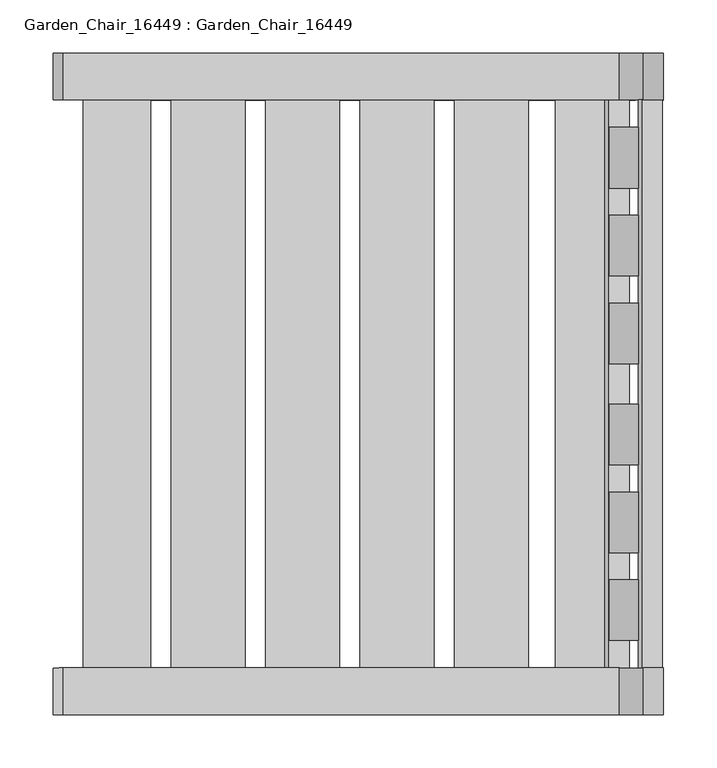
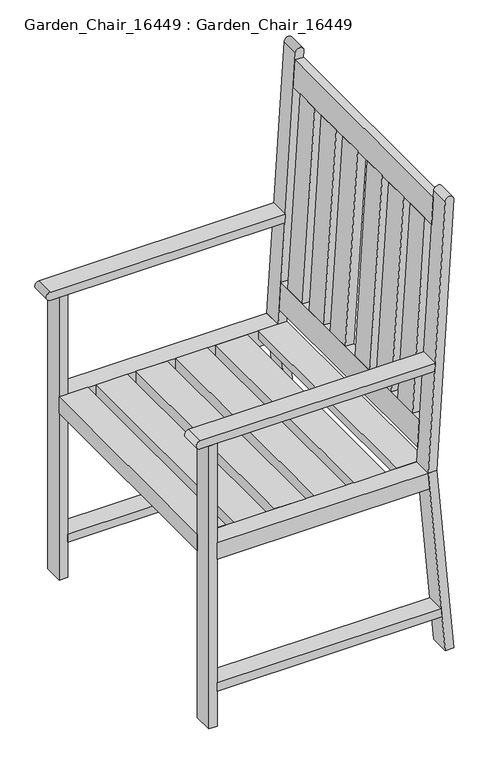
"""IFC4 building model written with IfcOpenShell, lengths in millimetres: furniture geometry, Garden_Chair_16449 : Garden_Chair_16449."""

import ifcopenshell
import ifcopenshell.guid

model = None  # the IFC model being written
_history = None  # IfcOwnerHistory: only IFC2X3 demands one
_inside = {}  # id of a spatial element -> (the spatial element, [elements in it])
_under = {}  # id of a project, library or spatial element -> (it, [spatial elements below it])
_declared = {}  # id of a project -> (the project, [libraries it declares])
_typed = {}  # id of a type object -> (the type object, [elements of that type])
_made_of = {}  # id of a material, layer set ... -> (it, [elements and type objects made of it])


def new_model(schema):
    """Start an empty IFC model of exactly this schema.

    Asked for "IFC4X3", IfcOpenShell would pick the latest addendum, in which some entities
    have other attributes; the version numbers below select the first issue.
    IFC2X3 requires an IfcOwnerHistory on every rooted entity: one is made here for all.
    """
    global model, _history
    if schema == "IFC4X3":
        model = ifcopenshell.file(schema_version=(4, 3, 0, 0))
    else:
        model = ifcopenshell.file(schema=schema)
    _inside.clear()
    _under.clear()
    _declared.clear()
    _typed.clear()
    _made_of.clear()
    _history = None
    if model.schema == "IFC2X3":
        org = make("IfcOrganization", Name="unknown")
        user = make(
            "IfcPersonAndOrganization",
            ThePerson=make("IfcPerson", FamilyName="unknown"),
            TheOrganization=org,
        )
        app = make(
            "IfcApplication",
            ApplicationDeveloper=org,
            Version="unknown",
            ApplicationFullName="unknown",
            ApplicationIdentifier="unknown",
        )
        _history = make(
            "IfcOwnerHistory",
            OwningUser=user,
            OwningApplication=app,
            ChangeAction="ADDED",
            CreationDate=0,
        )
    return model


def make(cls, **values):
    """One entity of the class cls with the attributes given. An attribute that is None is left unset."""
    return model.create_entity(
        cls, **{name: value for name, value in values.items() if value is not None}
    )


def rooted(cls, **values):
    """An entity with a GlobalId (a new one), such as an element, a storey or a relation."""
    return make(cls, GlobalId=ifcopenshell.guid.new(), OwnerHistory=_history, **values)


def si_unit(unit_type, name, prefix=None):
    """IfcSIUnit, for example si_unit("LENGTHUNIT", "METRE", prefix="MILLI")."""
    return make("IfcSIUnit", UnitType=unit_type, Prefix=prefix, Name=name)


def assignment(units):
    """IfcUnitAssignment: the units of a project."""
    return None if units is None else make("IfcUnitAssignment", Units=units)


def point(xyz):
    """IfcCartesianPoint."""
    return None if xyz is None else make("IfcCartesianPoint", Coordinates=xyz)


def direction(xyz):
    """IfcDirection."""
    return None if xyz is None else make("IfcDirection", DirectionRatios=xyz)


def frame(location, z_axis=None, x_axis=None):
    """IfcAxis2Placement3D, a coordinate frame: its origin and axes. An axis left out is left unset."""
    return make(
        "IfcAxis2Placement3D",
        Location=point(location),
        Axis=direction(z_axis),
        RefDirection=direction(x_axis),
    )


def frame_2d(location, x_axis=None):
    """IfcAxis2Placement2D, a coordinate frame in the plane: its origin and x axis."""
    return make(
        "IfcAxis2Placement2D", Location=point(location), RefDirection=direction(x_axis)
    )


def origin():
    """The frame at (0, 0, 0) with its axes left unset."""
    return frame((0.0, 0.0, 0.0))


def origin_with_axes():
    """The frame at (0, 0, 0) with the z axis (0, 0, 1) and the x axis (1, 0, 0) written out."""
    return frame((0.0, 0.0, 0.0), z_axis=(0.0, 0.0, 1.0), x_axis=(1.0, 0.0, 0.0))


def place(relative_to, where):
    """IfcLocalPlacement: puts the frame where relative to a parent placement (None: the world)."""
    return make(
        "IfcLocalPlacement", PlacementRelTo=relative_to, RelativePlacement=where
    )


def context(
    kind, dimensions, precision=None, world=None, true_north=None, identifier=None
):
    """IfcGeometricRepresentationContext, for example the 3D "Model" context."""
    return make(
        "IfcGeometricRepresentationContext",
        ContextIdentifier=identifier,
        ContextType=kind,
        CoordinateSpaceDimension=dimensions,
        Precision=precision,
        WorldCoordinateSystem=world,
        TrueNorth=true_north,
    )


def project(units=None, contexts=None):
    """IfcProject with its units and contexts."""
    return rooted(
        "IfcProject",
        Name="project",
        RepresentationContexts=contexts,
        UnitsInContext=assignment(units),
    )


def spatial(cls, under=None, at=None, **own):
    """A site, building, storey or space (cls), placed at a placement, below another one or the project."""
    s = rooted(cls, ObjectPlacement=at, **own)
    if under is not None:
        _under.setdefault(under.id(), (under, []))[1].append(s)
    return s


def polyline(points):
    """IfcPolyline through the points."""
    return make("IfcPolyline", Points=[point(p) for p in points])


def circle_curve(where, radius):
    """IfcCircle in the frame where."""
    return make("IfcCircle", Position=where, Radius=radius)


def trimmed(basis, trim1, trim2, sense, master):
    """IfcTrimmedCurve: the piece of a basis curve between two trims."""
    return make(
        "IfcTrimmedCurve",
        BasisCurve=basis,
        Trim1=trim1,
        Trim2=trim2,
        SenseAgreement=sense,
        MasterRepresentation=master,
    )


def segment(curve, same_sense, transition):
    """IfcCompositeCurveSegment."""
    return make(
        "IfcCompositeCurveSegment",
        Transition=transition,
        SameSense=same_sense,
        ParentCurve=curve,
    )


def composite_curve(segments, self_intersect=None):
    """IfcCompositeCurve: segments joined end to end."""
    return make("IfcCompositeCurve", Segments=segments, SelfIntersect=self_intersect)


def outline(outer, holes=None, kind="AREA"):
    """IfcArbitraryClosedProfileDef: a profile drawn as a closed curve; with holes, ...WithVoids."""
    if holes is None:
        return make("IfcArbitraryClosedProfileDef", ProfileType=kind, OuterCurve=outer)
    return make(
        "IfcArbitraryProfileDefWithVoids",
        ProfileType=kind,
        OuterCurve=outer,
        InnerCurves=holes,
    )


def extrude(swept, where, along, depth):
    """IfcExtrudedAreaSolid: the profile swept, set in the frame where, extruded along a direction by depth."""
    return make(
        "IfcExtrudedAreaSolid",
        SweptArea=swept,
        Position=where,
        ExtrudedDirection=direction(along),
        Depth=depth,
    )


def shape(context_of_items, identifier, shape_type, items):
    """IfcShapeRepresentation: the items that make up one representation, for example the "Body"."""
    return make(
        "IfcShapeRepresentation",
        ContextOfItems=context_of_items,
        RepresentationIdentifier=identifier,
        RepresentationType=shape_type,
        Items=items,
    )


def source(mapping_origin, context_of_items, identifier, shape_type, items):
    """IfcRepresentationMap: a shape defined once, which mapped items show again and again."""
    return make(
        "IfcRepresentationMap",
        MappingOrigin=mapping_origin,
        MappedRepresentation=shape(context_of_items, identifier, shape_type, items),
    )


def transform(
    local_origin,
    x_axis=None,
    y_axis=None,
    z_axis=None,
    scale=None,
    scale2=None,
    scale3=None,
    uniform=True,
):
    """IfcCartesianTransformationOperator3D, or its non-uniform kind. x_axis, y_axis, z_axis: its Axis1, 2, 3."""
    if uniform:
        return make(
            "IfcCartesianTransformationOperator3D",
            Axis1=direction(x_axis),
            Axis2=direction(y_axis),
            LocalOrigin=point(local_origin),
            Scale=scale,
            Axis3=direction(z_axis),
        )
    return make(
        "IfcCartesianTransformationOperator3DnonUniform",
        Axis1=direction(x_axis),
        Axis2=direction(y_axis),
        LocalOrigin=point(local_origin),
        Scale=scale,
        Axis3=direction(z_axis),
        Scale2=scale2,
        Scale3=scale3,
    )


def mapped(mapping_source, mapping_target):
    """IfcMappedItem: shows the shape of a source again, moved by a transform."""
    return make(
        "IfcMappedItem", MappingSource=mapping_source, MappingTarget=mapping_target
    )


def made_of(thing, what):
    """Note that an element or type object is made of a material, layer set ...; save() writes the relation."""
    if what is not None:
        _made_of.setdefault(what.id(), (what, []))[1].append(thing)
    return thing


def element(
    cls,
    number,
    at=None,
    inside=None,
    cuts=None,
    type_object=None,
    material=None,
    context=None,
    identifier="Body",
    shape_type=None,
    held_by="IfcProductDefinitionShape",
    body=None,
    shapes=None,
    **own,
):
    """One element of the class cls, such as IfcWall. Its Tag is "e" and its number.

    at: its placement. inside: the storey or other place that contains it. cuts: it is an
    opening in that element (IfcRelVoidsElement). A single representation is given by context,
    identifier, shape_type and body (its items); several are given by shapes. held_by: the class
    of the entity that holds the representations. save() writes the other relations.
    """
    e = rooted(cls, Tag="e%d" % number, ObjectPlacement=at, **own)
    if body is not None:
        shapes = [shape(context, identifier, shape_type, body)]
    if shapes is not None:
        e.Representation = make(held_by, Representations=shapes)
    if inside is not None:
        _inside.setdefault(inside.id(), (inside, []))[1].append(e)
    if cuts is not None:
        rooted(
            "IfcRelVoidsElement", RelatingBuildingElement=cuts, RelatedOpeningElement=e
        )
    if type_object is not None:
        _typed.setdefault(type_object.id(), (type_object, []))[1].append(e)
    return made_of(e, material)


def aggregate(whole, parts):
    """IfcRelAggregates: a whole, such as a stair, and the parts it consists of."""
    return rooted("IfcRelAggregates", RelatingObject=whole, RelatedObjects=parts)


def save(model, path):
    """Write the relations noted so far, then the file.

    IfcRelAggregates (storeys below a building ...), IfcRelContainedInSpatialStructure (elements
    in a storey), IfcRelDefinesByType, IfcRelAssociatesMaterial and IfcRelDeclares: one each for
    every whole, place, type object, material and project.
    """
    for whole, parts in _under.values():
        aggregate(whole, parts)
    for where, things in _inside.values():
        rooted(
            "IfcRelContainedInSpatialStructure",
            RelatedElements=things,
            RelatingStructure=where,
        )
    for kind, things in _typed.values():
        rooted("IfcRelDefinesByType", RelatedObjects=things, RelatingType=kind)
    for what, things in _made_of.values():
        rooted("IfcRelAssociatesMaterial", RelatedObjects=things, RelatingMaterial=what)
    for by, libraries in _declared.values():
        rooted("IfcRelDeclares", RelatingContext=by, RelatedDefinitions=libraries)
    model.write(path)


def garden_chair_16449_garden_chair_16449_559df1ce(model_context):
    return source(origin(), model_context, "Body", "SweptSolid", [
        extrude(outline(polyline([(0.0, -19.05), (0.0, 0.0), (57.15, 0.0), (57.15, -19.05), (0.0, -19.05)])), frame((240.7914875, -19.05, 527.6977529), z_axis=(0.06080100957535696, 0.0, 0.9981499071956164), x_axis=(0.0, -1.0, 0.0)), (0.0, 0.0, 1.0), 451.169183),
        extrude(outline(polyline([(0.0, -19.05), (0.0, 0.0), (57.15, 0.0), (57.15, -19.05), (0.0, -19.05)])), frame((221.7767318, -241.3, 528.8560122), z_axis=(0.06080100957535696, 0.0, 0.9981499071956164), x_axis=(0.0, 1.0, 0.0)), (0.0, 0.0, 1.0), 451.169183),
        extrude(outline(polyline([(0.0, -19.05), (0.0, 0.0), (57.15, 0.0), (57.15, -19.05), (0.0, -19.05)])), frame((221.7767318, -158.75, 528.8560122), z_axis=(0.06080100957535696, 0.0, 0.9981499071956164), x_axis=(0.0, 1.0, 0.0)), (0.0, 0.0, 1.0), 451.169183),
        extrude(outline(polyline([(0.0, -19.05), (0.0, 0.0), (57.15, 0.0), (57.15, -19.05), (0.0, -19.05)])), frame((221.7767318, 19.05, 528.8560122), z_axis=(0.06080100957535696, 0.0, 0.9981499071956164), x_axis=(0.0, 1.0, 0.0)), (0.0, 0.0, 1.0), 451.169183),
        extrude(outline(polyline([(0.0, -19.05), (0.0, 0.0), (57.15, 0.0), (57.15, -19.05), (0.0, -19.05)])), frame((240.7914875, 241.3, 527.6977529), z_axis=(0.06080100957535696, 0.0, 0.9981499071956164), x_axis=(0.0, -1.0, 0.0)), (0.0, 0.0, 1.0), 451.169183),
        extrude(outline(polyline([(0.0, -19.05), (0.0, 0.0), (57.15, 0.0), (57.15, -19.05), (0.0, -19.05)])), frame((240.7914875, 158.75, 527.6977529), z_axis=(0.06080100957535696, 0.0, 0.9981499071956164), x_axis=(0.0, -1.0, 0.0)), (0.0, 0.0, 1.0), 451.169183),
        extrude(outline(polyline([(0.0, -19.0500001), (0.0, 0.0), (534.391296, 0.0), (534.391296, -19.0500001), (0.0, -19.0500001)])), frame((217.9158676, -267.195648, 465.4734931), z_axis=(0.0608010095753531, 0.0, 0.9981499071956166), x_axis=(0.0, 1.0, 0.0)), (0.0, 0.0, 1.0), 63.5),
        extrude(outline(polyline([(0.0, -19.05), (0.0, 0.0), (534.391296, 0.0), (534.391296, -19.05), (0.0, -19.05)])), frame((249.2082736, -267.195648, 979.1904903), z_axis=(0.06080100957536415, 0.0, 0.9981499071956159), x_axis=(0.0, 1.0, 0.0)), (0.0, 0.0, 1.0), 63.5),
        extrude(outline(polyline([(101.6, 244.9612813), (101.6, -254.0), (82.55, -254.0), (82.55, 246.6421637), (101.6, 244.9612813)])), frame((0.0, 267.195648, 0.0), z_axis=(0.0, 1.0, 0.0), x_axis=(0.0, 0.0, 1.0)), (0.0, 0.0, 1.0), 43.954352),
        extrude(outline(polyline([(101.6, 244.9612813), (101.6, -254.0), (82.55, -254.0), (82.55, 246.6421637), (101.6, 244.9612813)])), frame((0.0, -311.15, 0.0), z_axis=(0.0, 1.0, 0.0), x_axis=(0.0, 0.0, 1.0)), (0.0, 0.0, 1.0), 43.954352),
        extrude(outline(polyline([(146.05, 267.195648), (146.05, -267.195648), (76.2, -267.195648), (76.2, 267.195648), (146.05, 267.195648)])), frame((0.0, 0.0, 393.7), z_axis=(0.0, 0.0, 1.0), x_axis=(1.0, 0.0, 0.0)), (0.0, 0.0, 1.0), 38.1),
        extrude(outline(polyline([(57.15, 267.195648), (57.15, -267.195648), (-12.7, -267.195648), (-12.7, 267.195648), (57.15, 267.195648)])), frame((0.0, 0.0, 393.7), z_axis=(0.0, 0.0, 1.0), x_axis=(1.0, 0.0, 0.0)), (0.0, 0.0, 1.0), 38.1),
        extrude(outline(polyline([(-31.75, 267.195648), (-31.75, -267.195648), (-101.6, -267.195648), (-101.6, 267.195648), (-31.75, 267.195648)])), frame((0.0, 0.0, 393.7), z_axis=(0.0, 0.0, 1.0), x_axis=(1.0, 0.0, 0.0)), (0.0, 0.0, 1.0), 38.1),
        extrude(outline(polyline([(-120.65, 267.195648), (-120.65, -267.195648), (-190.5, -267.195648), (-190.5, 267.195648), (-120.65, 267.195648)])), frame((0.0, 0.0, 393.7), z_axis=(0.0, 0.0, 1.0), x_axis=(1.0, 0.0, 0.0)), (0.0, 0.0, 1.0), 38.1),
        extrude(outline(polyline([(234.95, 267.195648), (234.95, -267.195648), (171.45, -267.195648), (171.45, 267.195648), (234.95, 267.195648)])), frame((0.0, 0.0, 412.75), z_axis=(0.0, 0.0, 1.0), x_axis=(1.0, 0.0, 0.0)), (0.0, 0.0, 1.0), 19.05),
        extrude(outline(polyline([(-209.55, 267.195648), (-209.55, -267.195648), (-273.05, -267.195648), (-273.05, 267.195648), (-209.55, 267.195648)])), frame((0.0, 0.0, 393.7), z_axis=(0.0, 0.0, 1.0), x_axis=(1.0, 0.0, 0.0)), (0.0, 0.0, 1.0), 38.1),
        extrude(outline(composite_curve([segment(polyline([(685.8, 231.3367716), (685.8, -292.1)]), True, "CONTINUOUS"), segment(trimmed(circle_curve(frame_2d((676.275, -292.1)), 9.525), [point((685.8, -292.1))], [point((666.75, -292.1))], False, "CARTESIAN"), True, "CONTINUOUS"), segment(polyline([(666.75, -292.1), (666.75, 230.1763655), (685.8, 231.3367716)]), True, "CONTINUOUS")], self_intersect=False)), frame((0.0, 267.195648, 0.0), z_axis=(0.0, 1.0, 0.0), x_axis=(0.0, 0.0, 1.0)), (0.0, 0.0, 1.0), 43.954352),
        extrude(outline(composite_curve([segment(polyline([(431.8, 234.95), (1057.275, 273.05)]), True, "CONTINUOUS"), segment(trimmed(circle_curve(frame_2d((1057.8541296, 263.5426221)), 9.525), [point((1057.275, 273.05))], [point((1058.4332592, 254.0352443))], False, "CARTESIAN"), True, "CONTINUOUS"), segment(polyline([(1058.4332592, 254.0352443), (431.8, 215.8646904), (431.8, 234.95)]), True, "CONTINUOUS")], self_intersect=False)), frame((0.0, 267.195648, 0.0), z_axis=(0.0, 1.0, 0.0), x_axis=(0.0, 0.0, 1.0)), (0.0, 0.0, 1.0), 43.954352),
        extrude(outline(polyline([(431.8, 234.95), (431.8, 215.8259872), (0.0, 253.9259872), (0.0, 273.05), (431.8, 234.95)])), frame((0.0, 267.195648, 0.0), z_axis=(0.0, 1.0, 0.0), x_axis=(0.0, 0.0, 1.0)), (0.0, 0.0, 1.0), 43.954352),
        extrude(outline(polyline([(431.8, 215.8259872), (431.8, -254.0), (393.7, -254.0), (393.7, 219.1877519), (431.8, 215.8259872)])), frame((0.0, 267.195648, 0.0), z_axis=(0.0, 1.0, 0.0), x_axis=(0.0, 0.0, 1.0)), (0.0, 0.0, 1.0), 43.954352),
        extrude(outline(polyline([(-273.05, 311.15), (-254.0, 311.15), (-254.0, 267.195648), (-273.05, 267.195648), (-273.05, 311.15)])), origin_with_axes(), (0.0, 0.0, 1.0), 666.75),
        extrude(outline(composite_curve([segment(polyline([(685.8, 231.3367716), (685.8, -292.1)]), True, "CONTINUOUS"), segment(trimmed(circle_curve(frame_2d((676.275, -292.1)), 9.525), [point((685.8, -292.1))], [point((666.75, -292.1))], False, "CARTESIAN"), True, "CONTINUOUS"), segment(polyline([(666.75, -292.1), (666.75, 230.1763655), (685.8, 231.3367716)]), True, "CONTINUOUS")], self_intersect=False)), frame((0.0, -311.15, 0.0), z_axis=(0.0, 1.0, 0.0), x_axis=(0.0, 0.0, 1.0)), (0.0, 0.0, 1.0), 43.954352),
        extrude(outline(composite_curve([segment(polyline([(431.8, 234.95), (1057.275, 273.05)]), True, "CONTINUOUS"), segment(trimmed(circle_curve(frame_2d((1057.8541296, 263.5426221)), 9.525), [point((1057.275, 273.05))], [point((1058.4332592, 254.0352443))], False, "CARTESIAN"), True, "CONTINUOUS"), segment(polyline([(1058.4332592, 254.0352443), (431.8, 215.8646904), (431.8, 234.95)]), True, "CONTINUOUS")], self_intersect=False)), frame((0.0, -311.15, 0.0), z_axis=(0.0, 1.0, 0.0), x_axis=(0.0, 0.0, 1.0)), (0.0, 0.0, 1.0), 43.954352),
        extrude(outline(polyline([(431.8, 234.95), (431.8, 215.8259872), (0.0, 253.9259872), (0.0, 273.05), (431.8, 234.95)])), frame((0.0, -311.15, 0.0), z_axis=(0.0, 1.0, 0.0), x_axis=(0.0, 0.0, 1.0)), (0.0, 0.0, 1.0), 43.954352),
        extrude(outline(polyline([(431.8, 215.8259872), (431.8, -254.0), (393.7, -254.0), (393.7, 219.1877519), (431.8, 215.8259872)])), frame((0.0, -311.15, 0.0), z_axis=(0.0, 1.0, 0.0), x_axis=(0.0, 0.0, 1.0)), (0.0, 0.0, 1.0), 43.954352),
        extrude(outline(polyline([(-254.0, -311.15), (-273.05, -311.15), (-273.05, -267.195648), (-254.0, -267.195648), (-254.0, -311.15)])), origin_with_axes(), (0.0, 0.0, 1.0), 666.75),
    ])


if __name__ == "__main__":
    model = new_model("IFC4")
    model_context = context("Model", 3, world=origin())
    ifc_project = project(units=[si_unit("LENGTHUNIT", "METRE", prefix="MILLI")], contexts=[model_context])
    site = spatial("IfcSite", under=ifc_project)
    building = spatial("IfcBuilding", under=site)
    placement = place(None, origin())
    garden_chair_16449_garden_chair_16449_shape = garden_chair_16449_garden_chair_16449_559df1ce(model_context)
    element("IfcFurniture", 1, ObjectType="Garden_Chair_16449 : Garden_Chair_16449", at=placement, inside=building, context=model_context, shape_type="MappedRepresentation", body=[
        mapped(garden_chair_16449_garden_chair_16449_shape, transform((0.0, 0.0, 0.0), x_axis=(1.0, 0.0, 0.0), y_axis=(0.0, 1.0, 0.0), z_axis=(0.0, 0.0, 1.0))),
    ])
    save(model, "model.ifc")
